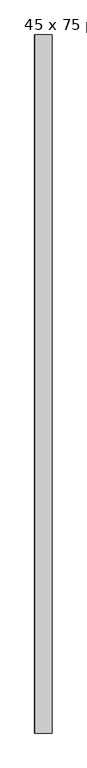
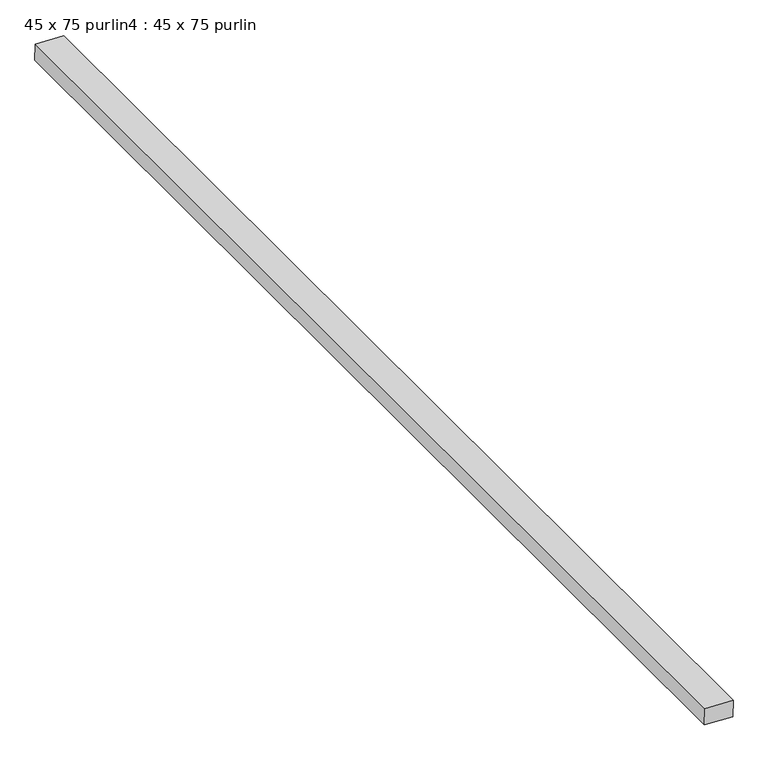
"""IFC4 building model written with IfcOpenShell, lengths in millimetres: proxy geometry, 45 x 75 purlin4 : 45 x 75 purlin."""

from ifc_helpers import new_model, si_unit, frame, origin, place, context, project, spatial, polyline, outline, extrude, source, transform, mapped, element, save


def proxy_45_x_75_purlin4_45_x_75_purlin_3f483f90(model_context):
    return source(origin(), model_context, "Body", "SweptSolid", [
        extrude(outline(polyline([(0.0, -75.0), (0.0, 0.0), (3090.0, 0.0), (3090.0, -75.0), (0.0, -75.0)])), frame((21166.2290227, -13653.4415087, 3815.1344487), z_axis=(0.03489949670249841, 0.0, 0.9993908270190959), x_axis=(0.0, 1.0, 0.0)), (0.0, 0.0, 1.0), 45.0),
    ])


if __name__ == "__main__":
    model = new_model("IFC4")
    model_context = context("Model", 3, world=origin())
    ifc_project = project(units=[si_unit("LENGTHUNIT", "METRE", prefix="MILLI")], contexts=[model_context])
    site = spatial("IfcSite", under=ifc_project)
    building = spatial("IfcBuilding", under=site)
    placement = place(None, origin())
    proxy_45_x_75_purlin4_45_x_75_purlin_shape = proxy_45_x_75_purlin4_45_x_75_purlin_3f483f90(model_context)
    element("IfcBuildingElementProxy", 1, Name="45 x 75 purlin4 : 45 x 75 purlin", ObjectType="45 x 75 purlin4 : 45 x 75 purlin", at=placement, inside=building, context=model_context, shape_type="MappedRepresentation", body=[
        mapped(proxy_45_x_75_purlin4_45_x_75_purlin_shape, transform((0.0, 0.0, 0.0), x_axis=(1.0, 0.0, 0.0), y_axis=(0.0, 1.0, 0.0), z_axis=(0.0, 0.0, 1.0))),
    ])
    save(model, "model.ifc")
